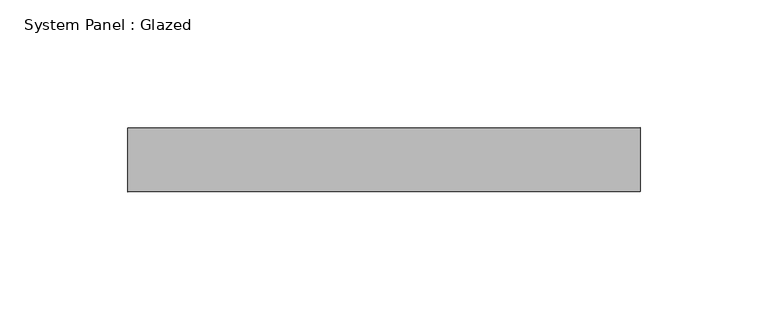
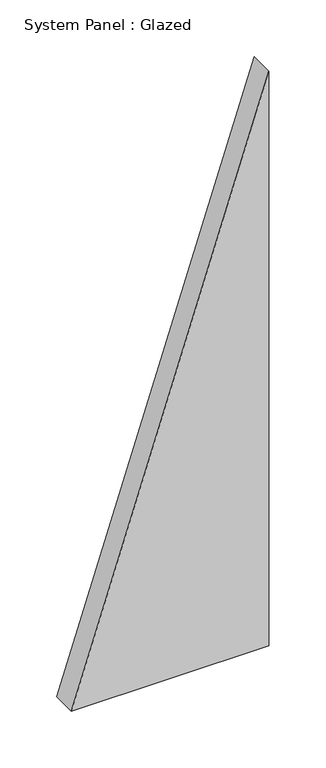
"""IFC4 building model written with IfcOpenShell, lengths in millimetres: plate geometry, System Panel : Glazed."""

from ifc_helpers import new_model, si_unit, frame, origin, place, context, project, spatial, polyline, outline, extrude, source, transform, mapped, element, save


def system_panel_glazed_1ebc86db(model_context):
    return source(origin(), model_context, "Body", "SweptSolid", [
        extrude(outline(polyline([(0.0, -100.0000002), (0.0, 100.0000002), (615.3846163, 100.0000002), (0.0, -100.0000002)])), frame((0.0, 24.5, 0.0), z_axis=(0.0, 1.0, 0.0), x_axis=(0.0, 0.0, 1.0)), (0.0, 0.0, 1.0), 25.0),
    ])


if __name__ == "__main__":
    model = new_model("IFC4")
    model_context = context("Model", 3, world=origin())
    ifc_project = project(units=[si_unit("LENGTHUNIT", "METRE", prefix="MILLI")], contexts=[model_context])
    site = spatial("IfcSite", under=ifc_project)
    building = spatial("IfcBuilding", under=site)
    placement = place(None, origin())
    system_panel_glazed_shape = system_panel_glazed_1ebc86db(model_context)
    element("IfcPlate", 1, ObjectType="System Panel : Glazed", at=placement, inside=building, context=model_context, shape_type="MappedRepresentation", body=[
        mapped(system_panel_glazed_shape, transform((0.0, 0.0, 0.0), x_axis=(1.0, 0.0, 0.0), y_axis=(0.0, 1.0, 0.0), z_axis=(0.0, 0.0, 1.0))),
    ])
    save(model, "model.ifc")
